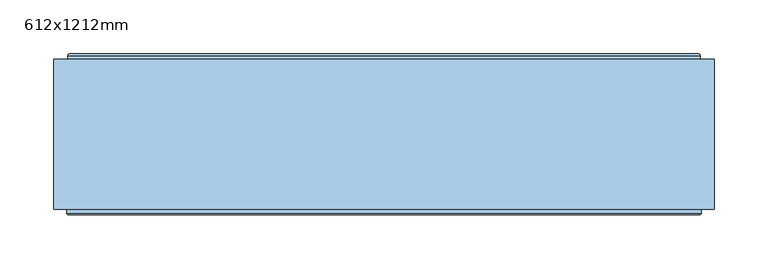
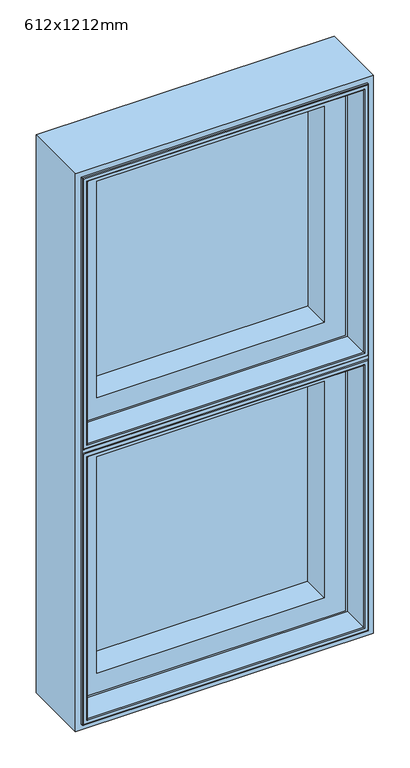
"""IFC4 building model written with IfcOpenShell, lengths in millimetres: window geometry, 612x1212mm."""

from ifc_helpers import new_model, si_unit, frame, origin, place, context, project, spatial, polyline, ellipse_curve, outline, extrude, faceted_brep, source, transform, mapped, element, save
from ifc_brep_helpers import plane_surface, cylinder_surface, revolved_surface, advanced_brep


def window_612x1212mm_1919aa27(model_context):
    return source(origin(), model_context, "Body", "SolidModel", [
        extrude(outline(polyline([(252.0, 118.5000015), (-252.0, 118.5000015), (-252.0, 146.5000015), (252.0, 146.5000015), (252.0, 118.5000015)])), frame((0.0, 0.0, 1452.0), z_axis=(0.0, 0.0, 1.0), x_axis=(1.0, 0.0, 0.0)), (0.0, 0.0, 1.0), 506.0),
        extrude(outline(polyline([(800.0, -306.0), (800.0, 306.0), (2012.0, 306.0), (2012.0, -306.0), (800.0, -306.0)]), holes=[polyline([(2000.0, -294.0), (2000.0, 294.0), (812.0, 294.0), (812.0, -294.0), (2000.0, -294.0)])]), frame((0.0, 10.0000016, 0.0), z_axis=(0.0, 1.0, 0.0), x_axis=(0.0, 0.0, 1.0)), (0.0, 0.0, 1.0), 139.0),
        advanced_brep(
        [(-294.0, 145.8000016, 1410.0), (-294.0, 145.8000016, 1402.0), (-294.0, 142.5000017, 1402.0), (-294.0, 142.5000017, 812.0), (-294.0, 6.5000015, 812.0), (-294.0, 6.5000015, 1402.0), (-294.0, 6.5000016, 1410.0), (-294.0, 6.5000014, 2000.0), (-294.0, 142.5000016, 2000.0), (-294.0, 142.5000016, 1410.0), (294.0, 6.5000016, 1410.0), (294.0, 6.5000016, 1402.0), (294.0, 6.5000015, 812.0), (294.0, 142.5000017, 812.0), (294.0, 142.5000017, 1402.0), (294.0, 145.8000016, 1402.0), (294.0, 145.8000016, 1410.0), (294.0, 142.5000016, 1410.0), (294.0, 142.5000016, 2000.0), (294.0, 6.5000014, 2000.0), (-285.5, 5.0000015, 820.5), (-284.0, 6.5000015, 822.0), (-284.0, 6.5000015, 1392.0), (-285.5, 5.0000015, 1393.5), (-284.0, 142.5000017, 822.0), (-284.0, 142.5000017, 1392.0), (-292.5, 5.0000015, 813.5), (-292.5, 5.0000015, 1400.5), (284.0, 6.5000015, 1392.0), (285.5, 5.0000015, 1393.5), (284.0, 142.5000017, 1392.0), (292.5, 5.0000015, 1400.5), (284.0, 6.5000015, 822.0), (285.5, 5.0000015, 820.5), (284.0, 142.5000017, 822.0), (292.5, 5.0000015, 813.5), (-284.0, 6.5000014, 1990.0), (-285.5, 5.0000014, 1991.5), (-285.5, 5.0000014, 1418.5), (-284.0, 6.5000014, 1420.0), (-284.0, 142.5000016, 1420.0), (-284.0, 142.5000016, 1990.0), (-292.5, 5.0000014, 1411.5), (-292.5, 5.0000014, 1998.5), (285.5, 5.0000014, 1418.5), (284.0, 6.5000014, 1420.0), (284.0, 142.5000016, 1420.0), (292.5, 5.0000014, 1411.5), (285.5, 5.0000014, 1991.5), (284.0, 6.5000014, 1990.0), (284.0, 142.5000016, 1990.0), (292.5, 5.0000014, 1998.5)],
        [
            (0, 1),
            (1, 2),
            (2, 3),
            (3, 4),
            (4, 5),
            (5, 6),
            (6, 7),
            (7, 8),
            (8, 9),
            (9, 0),
            (10, 11),
            (11, 12),
            (12, 13),
            (13, 14),
            (14, 15),
            (15, 16),
            (16, 17),
            (17, 18),
            (18, 19),
            (19, 10),
            (0, 16),
            (15, 1),
            (14, 2),
            (5, 11),
            (10, 6),
            (9, 17),
            (20, 21, ellipse_curve(frame((-285.5, 6.5000015, 820.5), z_axis=(-0.707106781186552, 0.0, 0.707106781186543), x_axis=(-0.7071067811865431, 0.0, -0.707106781186552)), 2.1213203, 1.5)),
            (21, 22),
            (22, 23, ellipse_curve(frame((-285.5, 6.5000015, 1393.5), z_axis=(-0.707106781186543, 0.0, -0.707106781186552), x_axis=(0.707106781186552, 0.0, -0.707106781186543)), 2.1213203, 1.5)),
            (23, 20),
            (21, 24),
            (24, 25),
            (25, 22),
            (4, 26, ellipse_curve(frame((-292.5, 6.5000015, 813.5), z_axis=(-0.707106781186552, 0.0, 0.707106781186543), x_axis=(-0.7071067811865431, 0.0, -0.707106781186552)), 2.1213203, 1.5)),
            (26, 27),
            (27, 5, ellipse_curve(frame((-292.5, 6.5000015, 1400.5), z_axis=(-0.707106781186543, 0.0, -0.707106781186552), x_axis=(0.707106781186552, 0.0, -0.707106781186543)), 2.1213203, 1.5)),
            (22, 28),
            (28, 29, ellipse_curve(frame((285.5, 6.5000015, 1393.5), z_axis=(-0.707106781186552, 0.0, 0.7071067811865431), x_axis=(-0.7071067811865429, 0.0, -0.707106781186552)), 2.1213203, 1.5)),
            (29, 23),
            (25, 30),
            (30, 28),
            (27, 31),
            (31, 11, ellipse_curve(frame((292.5, 6.5000015, 1400.5), z_axis=(-0.707106781186552, 0.0, 0.7071067811865431), x_axis=(-0.7071067811865429, 0.0, -0.707106781186552)), 2.1213203, 1.5)),
            (28, 32),
            (32, 33, ellipse_curve(frame((285.5, 6.5000015, 820.5), z_axis=(0.7071067811865431, 0.0, 0.707106781186552), x_axis=(-0.707106781186552, 0.0, 0.7071067811865429)), 2.1213203, 1.5)),
            (33, 29),
            (30, 34),
            (34, 32),
            (31, 35),
            (35, 12, ellipse_curve(frame((292.5, 6.5000015, 813.5), z_axis=(0.7071067811865431, 0.0, 0.707106781186552), x_axis=(-0.707106781186552, 0.0, 0.7071067811865429)), 2.1213203, 1.5)),
            (20, 33),
            (32, 21),
            (34, 24),
            (13, 3),
            (12, 4),
            (35, 26),
            (36, 37, ellipse_curve(frame((-285.5, 6.5000014, 1991.5), z_axis=(-0.7071067811865475, 0.0, -0.7071067811865475), x_axis=(-0.7071067811865474, 0.0, 0.7071067811865476)), 2.1213203, 1.5)),
            (37, 38),
            (38, 39, ellipse_curve(frame((-285.5, 6.5000014, 1418.5), z_axis=(-0.7071067811865475, 0.0, 0.7071067811865475), x_axis=(0.7071067811865474, 0.0, 0.7071067811865476)), 2.1213203, 1.5)),
            (39, 36),
            (39, 40),
            (40, 41),
            (41, 36),
            (6, 42, ellipse_curve(frame((-292.5, 6.5000014, 1411.5), z_axis=(-0.7071067811865475, 0.0, 0.7071067811865475), x_axis=(0.7071067811865474, 0.0, 0.7071067811865476)), 2.1213203, 1.5)),
            (42, 43),
            (43, 7, ellipse_curve(frame((-292.5, 6.5000014, 1998.5), z_axis=(-0.7071067811865475, 0.0, -0.7071067811865475), x_axis=(-0.7071067811865474, 0.0, 0.7071067811865476)), 2.1213203, 1.5)),
            (38, 44),
            (44, 45, ellipse_curve(frame((285.5, 6.5000014, 1418.5), z_axis=(-0.7071067811865475, 0.0, -0.7071067811865475), x_axis=(-0.7071067811865476, 0.0, 0.7071067811865474)), 2.1213203, 1.5)),
            (45, 39),
            (45, 46),
            (46, 40),
            (10, 47, ellipse_curve(frame((292.5, 6.5000014, 1411.5), z_axis=(-0.7071067811865475, 0.0, -0.7071067811865475), x_axis=(-0.7071067811865476, 0.0, 0.7071067811865474)), 2.1213203, 1.5)),
            (47, 42),
            (44, 48),
            (48, 49, ellipse_curve(frame((285.5, 6.5000014, 1991.5), z_axis=(0.7071067811865475, 0.0, -0.7071067811865475), x_axis=(-0.7071067811865474, 0.0, -0.7071067811865476)), 2.1213203, 1.5)),
            (49, 45),
            (49, 50),
            (50, 46),
            (19, 51, ellipse_curve(frame((292.5, 6.5000014, 1998.5), z_axis=(0.7071067811865475, 0.0, -0.7071067811865475), x_axis=(-0.7071067811865474, 0.0, -0.7071067811865476)), 2.1213203, 1.5)),
            (51, 47),
            (36, 49),
            (48, 37),
            (41, 50),
            (8, 18),
            (7, 19),
            (43, 51),
        ],
        [
            plane_surface(frame((-294.0, 145.8000016, 1410.0), z_axis=(-1.0, 0.0, 0.0), x_axis=(0.0, 0.0, -1.0))),
            plane_surface(frame((294.0, 145.8000016, 1410.0), z_axis=(1.0, 0.0, 0.0), x_axis=(0.0, 0.0, 1.0))),
            plane_surface(frame((-294.0, 145.8000016, 1410.0), z_axis=(0.0, 1.0, 0.0), x_axis=(1.0, 0.0, 0.0))),
            plane_surface(frame((-294.0, 145.8000016, 1402.0), z_axis=(0.0, 0.0, -1.0), x_axis=(1.0, 0.0, 0.0))),
            plane_surface(frame((-294.0, 6.5000016, 1402.0), z_axis=(0.0, -1.0, 0.0), x_axis=(1.0, 0.0, 0.0))),
            plane_surface(frame((-294.0, 6.5000016, 1410.0), z_axis=(0.0, 0.0, 1.0), x_axis=(1.0, 0.0, 0.0))),
            cylinder_surface(frame((-285.5, 6.5000015, 812.0), z_axis=(0.0, 0.0, -1.0), x_axis=(0.0, -1.0, 0.0)), 1.5),
            plane_surface(frame((-284.0, 142.5000017, 822.0), z_axis=(1.0, 0.0, 0.0), x_axis=(0.0, 0.0, 1.0))),
            cylinder_surface(frame((-292.5, 6.5000015, 812.0), z_axis=(0.0, 0.0, -1.0), x_axis=(0.0, -1.0, 0.0)), 1.5),
            cylinder_surface(frame((-294.0, 6.5000015, 1393.5), z_axis=(-1.0, 0.0, 0.0), x_axis=(0.0, -1.0, 0.0)), 1.5),
            plane_surface(frame((-284.0, 142.5000017, 1392.0), z_axis=(0.0, 0.0, -1.0), x_axis=(1.0, 0.0, 0.0))),
            cylinder_surface(frame((-294.0, 6.5000015, 1400.5), z_axis=(-1.0, 0.0, 0.0), x_axis=(0.0, -1.0, 0.0)), 1.5),
            cylinder_surface(frame((285.5, 6.5000015, 1402.0), z_axis=(0.0, 0.0, 1.0), x_axis=(0.0, -1.0, 0.0)), 1.5),
            plane_surface(frame((284.0, 142.5000017, 1392.0), z_axis=(-1.0, 0.0, 0.0), x_axis=(0.0, 0.0, -1.0))),
            cylinder_surface(frame((292.5, 6.5000015, 1402.0), z_axis=(0.0, 0.0, 1.0), x_axis=(0.0, -1.0, 0.0)), 1.5),
            cylinder_surface(frame((294.0, 6.5000015, 820.5), z_axis=(1.0, 0.0, 0.0), x_axis=(0.0, -1.0, 0.0)), 1.5),
            plane_surface(frame((284.0, 142.5000017, 822.0), z_axis=(0.0, 0.0, 1.0), x_axis=(-1.0, 0.0, 0.0))),
            plane_surface(frame((294.0, 142.5000017, 812.0), z_axis=(0.0, 1.0, 0.0), x_axis=(-1.0, 0.0, 0.0))),
            plane_surface(frame((294.0, 6.5000015, 812.0), z_axis=(0.0, 0.0, -1.0), x_axis=(-1.0, 0.0, 0.0))),
            cylinder_surface(frame((294.0, 6.5000015, 813.5), z_axis=(1.0, 0.0, 0.0), x_axis=(0.0, -1.0, 0.0)), 1.5),
            plane_surface(frame((285.5, 5.0000015, 820.5), z_axis=(0.0, -1.0, 0.0), x_axis=(-1.0, 0.0, 0.0))),
            cylinder_surface(frame((-285.5, 6.5000014, 2000.0), z_axis=(0.0, 0.0, 1.0), x_axis=(1.0, 0.0, 0.0)), 1.5),
            plane_surface(frame((-284.0, 6.5000014, 1990.0), z_axis=(1.0, 0.0, 0.0), x_axis=(0.0, 0.0, -1.0))),
            cylinder_surface(frame((-292.5, 6.5000014, 2000.0), z_axis=(0.0, 0.0, 1.0), x_axis=(1.0, 0.0, 0.0)), 1.5),
            cylinder_surface(frame((-294.0, 6.5000014, 1418.5), z_axis=(-1.0, 0.0, 0.0), x_axis=(0.0, 0.0, 1.0)), 1.5),
            plane_surface(frame((-284.0, 6.5000014, 1420.0), z_axis=(0.0, 0.0, 1.0), x_axis=(1.0, 0.0, 0.0))),
            cylinder_surface(frame((-294.0, 6.5000014, 1411.5), z_axis=(-1.0, 0.0, 0.0), x_axis=(0.0, 0.0, 1.0)), 1.5),
            cylinder_surface(frame((285.5, 6.5000014, 1410.0), z_axis=(0.0, 0.0, -1.0), x_axis=(-1.0, 0.0, 0.0)), 1.5),
            plane_surface(frame((284.0, 6.5000014, 1420.0), z_axis=(-1.0, 0.0, 0.0), x_axis=(0.0, 0.0, 1.0))),
            cylinder_surface(frame((292.5, 6.5000014, 1410.0), z_axis=(0.0, 0.0, -1.0), x_axis=(-1.0, 0.0, 0.0)), 1.5),
            cylinder_surface(frame((294.0, 6.5000014, 1991.5), z_axis=(1.0, 0.0, 0.0), x_axis=(0.0, 0.0, -1.0)), 1.5),
            plane_surface(frame((284.0, 6.5000014, 1990.0), z_axis=(0.0, 0.0, -1.0), x_axis=(-1.0, 0.0, 0.0))),
            plane_surface(frame((284.0, 142.5000016, 1990.0), z_axis=(0.0, 1.0, 0.0), x_axis=(-1.0, 0.0, 0.0))),
            plane_surface(frame((294.0, 142.5000016, 2000.0), z_axis=(0.0, 0.0, 1.0), x_axis=(-1.0, 0.0, 0.0))),
            cylinder_surface(frame((294.0, 6.5000014, 1998.5), z_axis=(1.0, 0.0, 0.0), x_axis=(0.0, 0.0, -1.0)), 1.5),
            plane_surface(frame((292.5, 5.0000014, 1998.5), z_axis=(0.0, -1.0, 0.0), x_axis=(-1.0, 0.0, 0.0))),
        ],
        [
            (0, [[1, 2, 3, 4, 5, 6, 7, 8, 9, 10]]),
            (1, [[11, 12, 13, 14, 15, 16, 17, 18, 19, 20]]),
            (2, [[-1, 21, -16, 22]]),
            (3, [[-22, -15, 23, -2]]),
            (4, [[-6, 24, -11, 25]]),
            (5, [[-21, -10, 26, -17]]),
            (6, [[27, 28, 29, 30]]),
            (7, [[-28, 31, 32, 33]]),
            (8, [[-5, 34, 35, 36]]),
            (9, [[-29, 37, 38, 39]]),
            (10, [[-33, 40, 41, -37]]),
            (11, [[-36, 42, 43, -24]]),
            (12, [[-38, 44, 45, 46]]),
            (13, [[-41, 47, 48, -44]]),
            (14, [[-43, 49, 50, -12]]),
            (15, [[-27, 51, -45, 52]]),
            (16, [[-31, -52, -48, 53]]),
            (17, [[-3, -23, -14, 54], [-32, -53, -47, -40]]),
            (18, [[-4, -54, -13, 55]]),
            (19, [[-34, -55, -50, 56]]),
            (20, [[-35, -56, -49, -42], [-30, -39, -46, -51]]),
            (21, [[57, 58, 59, 60]]),
            (22, [[-60, 61, 62, 63]]),
            (23, [[-7, 64, 65, 66]]),
            (24, [[-59, 67, 68, 69]]),
            (25, [[-61, -69, 70, 71]]),
            (26, [[-64, -25, 72, 73]]),
            (27, [[-68, 74, 75, 76]]),
            (28, [[-70, -76, 77, 78]]),
            (29, [[-72, -20, 79, 80]]),
            (30, [[-57, 81, -75, 82]]),
            (31, [[-63, 83, -77, -81]]),
            (32, [[-9, 84, -18, -26], [-62, -71, -78, -83]]),
            (33, [[-8, 85, -19, -84]]),
            (34, [[-66, 86, -79, -85]]),
            (35, [[-65, -73, -80, -86], [-58, -82, -74, -67]]),
        ],
    ),
        advanced_brep(
        [(-291.5000001, 154.0000016, 814.4999999), (-293.0, 152.5000018, 813.0), (-293.0, 152.5000018, 1401.0), (-291.5000001, 154.0000016, 1399.5000001), (-293.0, 148.3866107, 813.0), (-293.0, 148.3866107, 1401.0), (-294.0, 148.3866107, 812.0), (-294.0, 142.5000017, 812.0), (-294.0, 142.5000017, 1402.0), (-294.0, 148.3866107, 1402.0), (-256.0, 142.5000017, 850.0), (-256.0, 146.5000019, 850.0), (-256.0, 146.5000019, 1364.0), (-256.0, 142.5000017, 1364.0), (-237.4938789, 146.5000019, 868.5061211), (-237.5192538, 147.4871074, 868.4807462), (-237.5192538, 147.4871074, 1345.5192538), (-237.4938789, 146.5000019, 1345.4938789), (-239.5962483, 148.7951832, 866.4037517), (-239.5962483, 148.7951832, 1347.5962483), (-240.0, 149.7544748, 866.0), (-240.0, 149.7544748, 1348.0), (-240.0, 153.0000016, 866.0), (-240.0, 153.0000016, 1348.0), (-240.5, 153.5000016, 865.5), (-240.5, 153.5000016, 1348.5), (-255.8, 153.5000016, 850.2), (-256.514074, 154.0000016, 849.485926), (-256.514074, 154.0000016, 1364.514074), (-255.8, 153.5000016, 1363.8), (293.0, 152.5000018, 1401.0), (291.5000001, 154.0000016, 1399.5000001), (293.0, 148.3866107, 1401.0), (294.0, 142.5000017, 1402.0), (294.0, 148.3866107, 1402.0), (256.0, 146.5000019, 1364.0), (256.0, 142.5000017, 1364.0), (237.5192538, 147.4871074, 1345.5192538), (237.4938789, 146.5000019, 1345.4938789), (239.5962483, 148.7951832, 1347.5962483), (240.0, 149.7544748, 1348.0), (240.0, 153.0000016, 1348.0), (240.5, 153.5000016, 1348.5), (256.514074, 154.0000016, 1364.514074), (255.8, 153.5000016, 1363.8), (293.0, 152.5000018, 813.0), (291.5000001, 154.0000016, 814.4999999), (293.0, 148.3866107, 813.0), (294.0, 142.5000017, 812.0), (294.0, 148.3866107, 812.0), (256.0, 146.5000019, 850.0), (256.0, 142.5000017, 850.0), (237.5192538, 147.4871074, 868.4807462), (237.4938789, 146.5000019, 868.5061211), (239.5962483, 148.7951832, 866.4037517), (240.0, 149.7544748, 866.0), (240.0, 153.0000016, 866.0), (240.5, 153.5000016, 865.5), (256.514074, 154.0000016, 849.485926), (255.8, 153.5000016, 850.2)],
        [
            (0, 1, ellipse_curve(frame((-291.5000001, 152.5000018, 814.4999999), z_axis=(-0.707106781186552, 0.0, 0.707106781186543), x_axis=(-0.7071067811865431, 0.0, -0.707106781186552)), 2.1213201, 1.4999998)),
            (1, 2),
            (2, 3, ellipse_curve(frame((-291.5000001, 152.5000018, 1399.5000001), z_axis=(-0.707106781186543, 0.0, -0.707106781186552), x_axis=(0.707106781186552, 0.0, -0.707106781186543)), 2.1213201, 1.4999998)),
            (3, 0),
            (1, 4),
            (4, 5),
            (5, 2),
            (6, 7),
            (7, 8),
            (8, 9),
            (9, 6),
            (10, 11),
            (11, 12),
            (12, 13),
            (13, 10),
            (14, 15, ellipse_curve(frame((-237.4938789, 146.9938808, 868.5061211), z_axis=(-0.707106781186552, 0.0, 0.707106781186543), x_axis=(-0.7071067811865431, 0.0, -0.707106781186552)), 0.6984503, 0.4938789)),
            (15, 16),
            (16, 17, ellipse_curve(frame((-237.4938789, 146.9938808, 1345.4938789), z_axis=(-0.707106781186543, 0.0, -0.707106781186552), x_axis=(0.707106781186552, 0.0, -0.707106781186543)), 0.6984503, 0.4938789)),
            (17, 14),
            (15, 18, ellipse_curve(frame((-237.6227187, 149.6258125, 868.3772813), z_axis=(0.707106781186552, 0.0, -0.707106781186543), x_axis=(0.7071067811865431, 0.0, 0.707106781186552)), 3.028123, 2.1412063)),
            (18, 19),
            (19, 16, ellipse_curve(frame((-237.6227187, 149.6258125, 1345.6227187), z_axis=(0.707106781186543, 0.0, 0.707106781186552), x_axis=(-0.707106781186552, 0.0, 0.707106781186543)), 3.028123, 2.1412063)),
            (18, 20),
            (20, 21),
            (21, 19),
            (20, 22),
            (22, 23),
            (23, 21),
            (22, 24, ellipse_curve(frame((-240.5, 153.0000016, 865.5), z_axis=(-0.707106781186552, 0.0, 0.707106781186543), x_axis=(-0.7071067811865431, 0.0, -0.707106781186552)), 0.7071068, 0.5)),
            (24, 25),
            (25, 23, ellipse_curve(frame((-240.5, 153.0000016, 1348.5), z_axis=(-0.707106781186543, 0.0, -0.707106781186552), x_axis=(0.707106781186552, 0.0, -0.707106781186543)), 0.7071068, 0.5)),
            (26, 27),
            (27, 28),
            (28, 29),
            (29, 26),
            (2, 30),
            (30, 31, ellipse_curve(frame((291.5000001, 152.5000018, 1399.5000001), z_axis=(-0.707106781186552, 0.0, 0.7071067811865431), x_axis=(-0.7071067811865429, 0.0, -0.707106781186552)), 2.1213201, 1.4999998)),
            (31, 3),
            (5, 32),
            (32, 30),
            (8, 33),
            (33, 34),
            (34, 9),
            (12, 35),
            (35, 36),
            (36, 13),
            (16, 37),
            (37, 38, ellipse_curve(frame((237.4938789, 146.9938808, 1345.4938789), z_axis=(-0.707106781186552, 0.0, 0.7071067811865431), x_axis=(-0.7071067811865429, 0.0, -0.707106781186552)), 0.6984503, 0.4938789)),
            (38, 17),
            (19, 39),
            (39, 37, ellipse_curve(frame((237.6227187, 149.6258125, 1345.6227187), z_axis=(0.707106781186552, 0.0, -0.7071067811865431), x_axis=(0.7071067811865429, 0.0, 0.707106781186552)), 3.028123, 2.1412063)),
            (21, 40),
            (40, 39),
            (23, 41),
            (41, 40),
            (25, 42),
            (42, 41, ellipse_curve(frame((240.5, 153.0000016, 1348.5), z_axis=(-0.707106781186552, 0.0, 0.7071067811865431), x_axis=(-0.7071067811865429, 0.0, -0.707106781186552)), 0.7071068, 0.5)),
            (28, 43),
            (43, 44),
            (44, 29),
            (30, 45),
            (45, 46, ellipse_curve(frame((291.5000001, 152.5000018, 814.4999999), z_axis=(0.7071067811865431, 0.0, 0.707106781186552), x_axis=(-0.707106781186552, 0.0, 0.7071067811865429)), 2.1213201, 1.4999998)),
            (46, 31),
            (32, 47),
            (47, 45),
            (33, 48),
            (48, 49),
            (49, 34),
            (35, 50),
            (50, 51),
            (51, 36),
            (37, 52),
            (52, 53, ellipse_curve(frame((237.4938789, 146.9938808, 868.5061211), z_axis=(0.7071067811865431, 0.0, 0.707106781186552), x_axis=(-0.707106781186552, 0.0, 0.7071067811865429)), 0.6984503, 0.4938789)),
            (53, 38),
            (39, 54),
            (54, 52, ellipse_curve(frame((237.6227187, 149.6258125, 868.3772813), z_axis=(-0.7071067811865431, 0.0, -0.707106781186552), x_axis=(0.707106781186552, 0.0, -0.7071067811865429)), 3.028123, 2.1412063)),
            (40, 55),
            (55, 54),
            (41, 56),
            (56, 55),
            (42, 57),
            (57, 56, ellipse_curve(frame((240.5, 153.0000016, 865.5), z_axis=(0.7071067811865431, 0.0, 0.707106781186552), x_axis=(-0.707106781186552, 0.0, 0.7071067811865429)), 0.7071068, 0.5)),
            (43, 58),
            (58, 59),
            (59, 44),
            (46, 0),
            (27, 58),
            (45, 1),
            (47, 4),
            (49, 6),
            (48, 7),
            (51, 10),
            (50, 11),
            (53, 14),
            (52, 15),
            (54, 18),
            (55, 20),
            (56, 22),
            (57, 24),
            (59, 26),
        ],
        [
            cylinder_surface(frame((-291.5000001, 152.5000018, 812.0), z_axis=(0.0, 0.0, -1.0), x_axis=(0.0, -1.0, 0.0)), 1.4999998),
            plane_surface(frame((-293.0, 148.3866107, 813.0), z_axis=(-1.0, 0.0, 0.0), x_axis=(0.0, 0.0, 1.0))),
            plane_surface(frame((-294.0, 142.5000017, 812.0), z_axis=(-1.0, 0.0, 0.0), x_axis=(0.0, 0.0, 1.0))),
            plane_surface(frame((-256.0, 146.5000019, 850.0), z_axis=(1.0, 0.0, 0.0), x_axis=(0.0, 0.0, 1.0))),
            cylinder_surface(frame((-237.4938789, 146.9938808, 812.0), z_axis=(0.0, 0.0, -1.0), x_axis=(0.0, -1.0, 0.0)), 0.4938789),
            revolved_surface(polyline([(-237.6227187, 147.4846062, 1347.7639250075667), (-237.6227187, 147.4846062, 866.236074992433)]), (-237.6227187, 149.6258125, 812.0), (0.0, 0.0, 1.0)),
            plane_surface(frame((-240.0, 149.7544748, 866.0), z_axis=(0.921690570360227, 0.38792588532996825, 0.0), x_axis=(0.0, 0.0, 1.0))),
            plane_surface(frame((-240.0, 153.0000016, 866.0), z_axis=(1.0, 0.0, 0.0), x_axis=(0.0, 0.0, 1.0))),
            cylinder_surface(frame((-240.5, 153.0000016, 812.0), z_axis=(0.0, 0.0, -1.0), x_axis=(0.0, -1.0, 0.0)), 0.5),
            plane_surface(frame((-256.514074, 154.0000016, 849.485926), z_axis=(0.5735764363508401, 0.8191520442891361, 0.0), x_axis=(0.0, 0.0, 1.0))),
            cylinder_surface(frame((-294.0, 152.5000018, 1399.5000001), z_axis=(-1.0, 0.0, 0.0), x_axis=(0.0, -1.0, 0.0)), 1.4999998),
            plane_surface(frame((-293.0, 148.3866107, 1401.0), z_axis=(0.0, 0.0, 1.0), x_axis=(1.0, 0.0, 0.0))),
            plane_surface(frame((-294.0, 142.5000017, 1402.0), z_axis=(0.0, 0.0, 1.0), x_axis=(1.0, 0.0, 0.0))),
            plane_surface(frame((-256.0, 146.5000019, 1364.0), z_axis=(0.0, 0.0, -1.0), x_axis=(1.0, 0.0, 0.0))),
            cylinder_surface(frame((-294.0, 146.9938808, 1345.4938789), z_axis=(-1.0, 0.0, 0.0), x_axis=(0.0, -1.0, 0.0)), 0.4938789),
            revolved_surface(polyline([(239.76392500756685, 147.4846062, 1345.6227187), (-239.76392500756697, 147.4846062, 1345.6227187)]), (-294.0, 149.6258125, 1345.6227187), (1.0, 0.0, 0.0)),
            plane_surface(frame((-240.0, 149.7544748, 1348.0), z_axis=(0.0, 0.38792588532997124, -0.9216905703602257), x_axis=(1.0, 0.0, 0.0))),
            plane_surface(frame((-240.0, 153.0000016, 1348.0), z_axis=(0.0, 0.0, -1.0), x_axis=(1.0, 0.0, 0.0))),
            cylinder_surface(frame((-294.0, 153.0000016, 1348.5), z_axis=(-1.0, 0.0, 0.0), x_axis=(0.0, -1.0, 0.0)), 0.5),
            plane_surface(frame((-256.514074, 154.0000016, 1364.514074), z_axis=(0.0, 0.819152044289138, -0.5735764363508374), x_axis=(1.0, 0.0, 0.0))),
            cylinder_surface(frame((291.5000001, 152.5000018, 1402.0), z_axis=(0.0, 0.0, 1.0), x_axis=(0.0, -1.0, 0.0)), 1.4999998),
            plane_surface(frame((293.0, 148.3866107, 1401.0), z_axis=(1.0, 0.0, 0.0), x_axis=(0.0, 0.0, -1.0))),
            plane_surface(frame((294.0, 142.5000017, 1402.0), z_axis=(1.0, 0.0, 0.0), x_axis=(0.0, 0.0, -1.0))),
            plane_surface(frame((256.0, 146.5000019, 1364.0), z_axis=(-1.0, 0.0, 0.0), x_axis=(0.0, 0.0, -1.0))),
            cylinder_surface(frame((237.4938789, 146.9938808, 1402.0), z_axis=(0.0, 0.0, 1.0), x_axis=(0.0, -1.0, 0.0)), 0.4938789),
            revolved_surface(polyline([(237.6227187, 147.4846062, 866.2360749924331), (237.6227187, 147.4846062, 1347.763925007567)]), (237.6227187, 149.6258125, 1402.0), (0.0, 0.0, -1.0)),
            plane_surface(frame((240.0, 149.7544748, 1348.0), z_axis=(-0.9216905703602244, 0.3879258853299742, 0.0), x_axis=(0.0, 0.0, -1.0))),
            plane_surface(frame((240.0, 153.0000016, 1348.0), z_axis=(-1.0, 0.0, 0.0), x_axis=(0.0, 0.0, -1.0))),
            cylinder_surface(frame((240.5, 153.0000016, 1402.0), z_axis=(0.0, 0.0, 1.0), x_axis=(0.0, -1.0, 0.0)), 0.5),
            plane_surface(frame((256.514074, 154.0000016, 1364.514074), z_axis=(-0.5735764363508348, 0.8191520442891399, 0.0), x_axis=(0.0, 0.0, -1.0))),
            plane_surface(frame((291.5000001, 154.0000016, 814.4999999), z_axis=(0.0, 1.0, 0.0), x_axis=(-1.0, 0.0, 0.0))),
            cylinder_surface(frame((294.0, 152.5000018, 814.4999999), z_axis=(1.0, 0.0, 0.0), x_axis=(0.0, -1.0, 0.0)), 1.4999998),
            plane_surface(frame((293.0, 148.3866107, 813.0), z_axis=(0.0, 0.0, -1.0), x_axis=(-1.0, 0.0, 0.0))),
            plane_surface(frame((294.0, 148.3866107, 812.0), z_axis=(0.0, 1.0, 0.0), x_axis=(-1.0, 0.0, 0.0))),
            plane_surface(frame((294.0, 142.5000017, 812.0), z_axis=(0.0, 0.0, -1.0), x_axis=(-1.0, 0.0, 0.0))),
            plane_surface(frame((256.0, 142.5000017, 850.0), z_axis=(0.0, -1.0, 0.0), x_axis=(-1.0, 0.0, 0.0))),
            plane_surface(frame((256.0, 146.5000019, 850.0), z_axis=(0.0, 0.0, 1.0), x_axis=(-1.0, 0.0, 0.0))),
            plane_surface(frame((237.4938789, 146.5000019, 868.5061211), z_axis=(0.0, -1.0, 0.0), x_axis=(-1.0, 0.0, 0.0))),
            cylinder_surface(frame((294.0, 146.9938808, 868.5061211), z_axis=(1.0, 0.0, 0.0), x_axis=(0.0, -1.0, 0.0)), 0.4938789),
            revolved_surface(polyline([(-239.76392500756685, 147.4846062, 868.3772813), (239.76392500756697, 147.4846062, 868.3772813)]), (294.0, 149.6258125, 868.3772813), (-1.0, 0.0, 0.0)),
            plane_surface(frame((240.0, 149.7544748, 866.0), z_axis=(0.0, 0.38792588532997124, 0.9216905703602257), x_axis=(-1.0, 0.0, 0.0))),
            plane_surface(frame((240.0, 153.0000016, 866.0), z_axis=(0.0, 0.0, 1.0), x_axis=(-1.0, 0.0, 0.0))),
            cylinder_surface(frame((294.0, 153.0000016, 865.5), z_axis=(1.0, 0.0, 0.0), x_axis=(0.0, -1.0, 0.0)), 0.5),
            plane_surface(frame((255.8, 153.5000016, 850.2), z_axis=(0.0, 1.0, 0.0), x_axis=(-1.0, 0.0, 0.0))),
            plane_surface(frame((256.514074, 154.0000016, 849.485926), z_axis=(0.0, 0.819152044289138, 0.5735764363508374), x_axis=(-1.0, 0.0, 0.0))),
        ],
        [
            (0, [[1, 2, 3, 4]]),
            (1, [[5, 6, 7, -2]]),
            (2, [[8, 9, 10, 11]]),
            (3, [[12, 13, 14, 15]]),
            (4, [[16, 17, 18, 19]]),
            (5, [[20, 21, 22, -17]]),
            (6, [[23, 24, 25, -21]]),
            (7, [[26, 27, 28, -24]]),
            (8, [[29, 30, 31, -27]]),
            (9, [[32, 33, 34, 35]]),
            (10, [[-3, 36, 37, 38]]),
            (11, [[-7, 39, 40, -36]]),
            (12, [[-10, 41, 42, 43]]),
            (13, [[-14, 44, 45, 46]]),
            (14, [[-18, 47, 48, 49]]),
            (15, [[-22, 50, 51, -47]]),
            (16, [[-25, 52, 53, -50]]),
            (17, [[-28, 54, 55, -52]]),
            (18, [[-31, 56, 57, -54]]),
            (19, [[-34, 58, 59, 60]]),
            (20, [[-37, 61, 62, 63]]),
            (21, [[-40, 64, 65, -61]]),
            (22, [[-42, 66, 67, 68]]),
            (23, [[-45, 69, 70, 71]]),
            (24, [[-48, 72, 73, 74]]),
            (25, [[-51, 75, 76, -72]]),
            (26, [[-53, 77, 78, -75]]),
            (27, [[-55, 79, 80, -77]]),
            (28, [[-57, 81, 82, -79]]),
            (29, [[-59, 83, 84, 85]]),
            (30, [[-38, -63, 86, -4], [87, -83, -58, -33]]),
            (31, [[-62, 88, -1, -86]]),
            (32, [[-65, 89, -5, -88]]),
            (33, [[-43, -68, 90, -11], [-89, -64, -39, -6]]),
            (34, [[-67, 91, -8, -90]]),
            (35, [[-91, -66, -41, -9], [-46, -71, 92, -15]]),
            (36, [[-70, 93, -12, -92]]),
            (37, [[-93, -69, -44, -13], [-49, -74, 94, -19]]),
            (38, [[-73, 95, -16, -94]]),
            (39, [[-76, 96, -20, -95]]),
            (40, [[-78, 97, -23, -96]]),
            (41, [[-80, 98, -26, -97]]),
            (42, [[-82, 99, -29, -98]]),
            (43, [[-60, -85, 100, -35], [-99, -81, -56, -30]]),
            (44, [[-84, -87, -32, -100]]),
        ],
    ),
        faceted_brep([(-256.0, 118.5000018, 850.0), (-256.0, 142.5000017, 850.0), (-256.0, 142.5000017, 1364.0), (-256.0, 118.5000018, 1364.0), (-284.0, 142.5000017, 822.0), (-284.0, 63.3258286, 822.0), (-284.0, 63.3258286, 1392.0), (-284.0, 142.5000017, 1392.0), (-277.2, 63.3258286, 828.8), (-277.2, 59.5000018, 828.8), (-277.2, 59.5000018, 1385.2), (-277.2, 63.3258286, 1385.2), (-234.0, 59.5000018, 872.0), (-234.0, 118.5000018, 872.0), (-234.0, 118.5000018, 1342.0), (-234.0, 59.5000018, 1342.0), (256.0, 142.5000017, 1364.0), (256.0, 118.5000018, 1364.0), (284.0, 63.3258286, 1392.0), (284.0, 142.5000017, 1392.0), (277.2, 59.5000018, 1385.2), (277.2, 63.3258286, 1385.2), (234.0, 118.5000018, 1342.0), (234.0, 59.5000018, 1342.0), (256.0, 142.5000017, 850.0), (256.0, 118.5000018, 850.0), (284.0, 63.3258286, 822.0), (284.0, 142.5000017, 822.0), (277.2, 59.5000018, 828.8), (277.2, 63.3258286, 828.8), (234.0, 118.5000018, 872.0), (234.0, 59.5000018, 872.0)], [[[0, 1, 2, 3]], [[4, 5, 6, 7]], [[8, 9, 10, 11]], [[12, 13, 14, 15]], [[3, 2, 16, 17]], [[7, 6, 18, 19]], [[11, 10, 20, 21]], [[15, 14, 22, 23]], [[17, 16, 24, 25]], [[19, 18, 26, 27]], [[21, 20, 28, 29]], [[23, 22, 30, 31]], [[25, 24, 1, 0]], [[7, 19, 27, 4], [1, 24, 16, 2]], [[27, 26, 5, 4]], [[5, 26, 18, 6], [11, 21, 29, 8]], [[29, 28, 9, 8]], [[9, 28, 20, 10], [15, 23, 31, 12]], [[31, 30, 13, 12]], [[3, 17, 25, 0], [13, 30, 22, 14]]]),
        extrude(outline(polyline([(252.0, 118.5000015), (-252.0, 118.5000015), (-252.0, 146.5000015), (252.0, 146.5000015), (252.0, 118.5000015)])), frame((0.0, 0.0, 854.0), z_axis=(0.0, 0.0, 1.0), x_axis=(1.0, 0.0, 0.0)), (0.0, 0.0, 1.0), 506.0),
        faceted_brep([(-256.0, 142.5000017, 1962.0), (-256.0, 118.5000018, 1962.0), (-256.0, 118.5000018, 1448.0), (-256.0, 142.5000017, 1448.0), (-284.0, 63.3258286, 1990.0), (-284.0, 142.5000017, 1990.0), (-284.0, 142.5000017, 1420.0), (-284.0, 63.3258286, 1420.0), (-277.2, 59.5000018, 1983.2), (-277.2, 63.3258286, 1983.2), (-277.2, 63.3258286, 1426.8), (-277.2, 59.5000018, 1426.8), (-234.0, 118.5000018, 1940.0), (-234.0, 59.5000018, 1940.0), (-234.0, 59.5000018, 1470.0), (-234.0, 118.5000018, 1470.0), (256.0, 118.5000018, 1448.0), (256.0, 142.5000017, 1448.0), (284.0, 142.5000017, 1420.0), (284.0, 63.3258286, 1420.0), (277.2, 63.3258286, 1426.8), (277.2, 59.5000018, 1426.8), (234.0, 59.5000018, 1470.0), (234.0, 118.5000018, 1470.0), (256.0, 118.5000018, 1962.0), (256.0, 142.5000017, 1962.0), (284.0, 142.5000017, 1990.0), (284.0, 63.3258286, 1990.0), (277.2, 63.3258286, 1983.2), (277.2, 59.5000018, 1983.2), (234.0, 59.5000018, 1940.0), (234.0, 118.5000018, 1940.0)], [[[0, 1, 2, 3]], [[4, 5, 6, 7]], [[8, 9, 10, 11]], [[12, 13, 14, 15]], [[3, 2, 16, 17]], [[7, 6, 18, 19]], [[11, 10, 20, 21]], [[15, 14, 22, 23]], [[17, 16, 24, 25]], [[19, 18, 26, 27]], [[21, 20, 28, 29]], [[23, 22, 30, 31]], [[25, 24, 1, 0]], [[5, 26, 18, 6], [3, 17, 25, 0]], [[27, 26, 5, 4]], [[7, 19, 27, 4], [9, 28, 20, 10]], [[29, 28, 9, 8]], [[11, 21, 29, 8], [13, 30, 22, 14]], [[31, 30, 13, 12]], [[1, 24, 16, 2], [15, 23, 31, 12]]]),
        advanced_brep(
        [(-293.0, 152.5000018, 1999.0), (-291.5000001, 154.0000016, 1997.5000001), (-291.5000001, 154.0000016, 1412.4999999), (-293.0, 152.5000018, 1411.0), (-293.0, 148.3866107, 1999.0), (-293.0, 148.3866107, 1411.0), (-294.0, 142.5000017, 2000.0), (-294.0, 148.3866107, 2000.0), (-294.0, 148.3866107, 1410.0), (-294.0, 142.5000017, 1410.0), (-256.0, 146.5000019, 1962.0), (-256.0, 142.5000017, 1962.0), (-256.0, 142.5000017, 1448.0), (-256.0, 146.5000019, 1448.0), (-237.5192538, 147.4871074, 1943.5192538), (-237.4938789, 146.5000019, 1943.4938789), (-237.4938789, 146.5000019, 1466.5061211), (-237.5192538, 147.4871074, 1466.4807462), (-239.5962483, 148.7951832, 1945.5962483), (-239.5962483, 148.7951832, 1464.4037517), (-240.0, 149.7544748, 1946.0), (-240.0, 149.7544748, 1464.0), (-240.0, 153.0000016, 1946.0), (-240.0, 153.0000016, 1464.0), (-240.5, 153.5000016, 1946.5), (-240.5, 153.5000016, 1463.5), (-256.514074, 154.0000016, 1962.514074), (-255.8, 153.5000016, 1961.8), (-255.8, 153.5000016, 1448.2), (-256.514074, 154.0000016, 1447.485926), (291.5000001, 154.0000016, 1412.4999999), (293.0, 152.5000018, 1411.0), (293.0, 148.3866107, 1411.0), (294.0, 148.3866107, 1410.0), (294.0, 142.5000017, 1410.0), (256.0, 142.5000017, 1448.0), (256.0, 146.5000019, 1448.0), (237.4938789, 146.5000019, 1466.5061211), (237.5192538, 147.4871074, 1466.4807462), (239.5962483, 148.7951832, 1464.4037517), (240.0, 149.7544748, 1464.0), (240.0, 153.0000016, 1464.0), (240.5, 153.5000016, 1463.5), (255.8, 153.5000016, 1448.2), (256.514074, 154.0000016, 1447.485926), (291.5000001, 154.0000016, 1997.5000001), (293.0, 152.5000018, 1999.0), (293.0, 148.3866107, 1999.0), (294.0, 148.3866107, 2000.0), (294.0, 142.5000017, 2000.0), (256.0, 142.5000017, 1962.0), (256.0, 146.5000019, 1962.0), (237.4938789, 146.5000019, 1943.4938789), (237.5192538, 147.4871074, 1943.5192538), (239.5962483, 148.7951832, 1945.5962483), (240.0, 149.7544748, 1946.0), (240.0, 153.0000016, 1946.0), (240.5, 153.5000016, 1946.5), (255.8, 153.5000016, 1961.8), (256.514074, 154.0000016, 1962.514074)],
        [
            (0, 1, ellipse_curve(frame((-291.5000001, 152.5000018, 1997.5000001), z_axis=(-0.7071067811865475, 0.0, -0.7071067811865475), x_axis=(-0.7071067811865474, 0.0, 0.7071067811865476)), 2.1213201, 1.4999998)),
            (1, 2),
            (2, 3, ellipse_curve(frame((-291.5000001, 152.5000018, 1412.4999999), z_axis=(-0.7071067811865475, 0.0, 0.7071067811865475), x_axis=(0.7071067811865474, 0.0, 0.7071067811865476)), 2.1213201, 1.4999998)),
            (3, 0),
            (4, 0),
            (3, 5),
            (5, 4),
            (6, 7),
            (7, 8),
            (8, 9),
            (9, 6),
            (10, 11),
            (11, 12),
            (12, 13),
            (13, 10),
            (14, 15, ellipse_curve(frame((-237.4938789, 146.9938808, 1943.4938789), z_axis=(-0.7071067811865475, 0.0, -0.7071067811865475), x_axis=(-0.7071067811865474, 0.0, 0.7071067811865476)), 0.6984503, 0.4938789)),
            (15, 16),
            (16, 17, ellipse_curve(frame((-237.4938789, 146.9938808, 1466.5061211), z_axis=(-0.7071067811865475, 0.0, 0.7071067811865475), x_axis=(0.7071067811865474, 0.0, 0.7071067811865476)), 0.6984503, 0.4938789)),
            (17, 14),
            (18, 14, ellipse_curve(frame((-237.6227187, 149.6258125, 1943.6227187), z_axis=(0.7071067811865475, 0.0, 0.7071067811865475), x_axis=(0.7071067811865474, 0.0, -0.7071067811865476)), 3.028123, 2.1412063)),
            (17, 19, ellipse_curve(frame((-237.6227187, 149.6258125, 1466.3772813), z_axis=(0.7071067811865475, 0.0, -0.7071067811865475), x_axis=(-0.7071067811865474, 0.0, -0.7071067811865476)), 3.028123, 2.1412063)),
            (19, 18),
            (20, 18),
            (19, 21),
            (21, 20),
            (22, 20),
            (21, 23),
            (23, 22),
            (24, 22, ellipse_curve(frame((-240.5, 153.0000016, 1946.5), z_axis=(-0.7071067811865475, 0.0, -0.7071067811865475), x_axis=(-0.7071067811865474, 0.0, 0.7071067811865476)), 0.7071068, 0.5)),
            (23, 25, ellipse_curve(frame((-240.5, 153.0000016, 1463.5), z_axis=(-0.7071067811865475, 0.0, 0.7071067811865475), x_axis=(0.7071067811865474, 0.0, 0.7071067811865476)), 0.7071068, 0.5)),
            (25, 24),
            (26, 27),
            (27, 28),
            (28, 29),
            (29, 26),
            (2, 30),
            (30, 31, ellipse_curve(frame((291.5000001, 152.5000018, 1412.4999999), z_axis=(-0.7071067811865475, 0.0, -0.7071067811865475), x_axis=(-0.7071067811865476, 0.0, 0.7071067811865474)), 2.1213201, 1.4999998)),
            (31, 3),
            (31, 32),
            (32, 5),
            (8, 33),
            (33, 34),
            (34, 9),
            (12, 35),
            (35, 36),
            (36, 13),
            (16, 37),
            (37, 38, ellipse_curve(frame((237.4938789, 146.9938808, 1466.5061211), z_axis=(-0.7071067811865475, 0.0, -0.7071067811865475), x_axis=(-0.7071067811865476, 0.0, 0.7071067811865474)), 0.6984503, 0.4938789)),
            (38, 17),
            (38, 39, ellipse_curve(frame((237.6227187, 149.6258125, 1466.3772813), z_axis=(0.7071067811865475, 0.0, 0.7071067811865475), x_axis=(0.7071067811865476, 0.0, -0.7071067811865474)), 3.028123, 2.1412063)),
            (39, 19),
            (39, 40),
            (40, 21),
            (40, 41),
            (41, 23),
            (41, 42, ellipse_curve(frame((240.5, 153.0000016, 1463.5), z_axis=(-0.7071067811865475, 0.0, -0.7071067811865475), x_axis=(-0.7071067811865476, 0.0, 0.7071067811865474)), 0.7071068, 0.5)),
            (42, 25),
            (28, 43),
            (43, 44),
            (44, 29),
            (30, 45),
            (45, 46, ellipse_curve(frame((291.5000001, 152.5000018, 1997.5000001), z_axis=(0.7071067811865475, 0.0, -0.7071067811865475), x_axis=(-0.7071067811865474, 0.0, -0.7071067811865476)), 2.1213201, 1.4999998)),
            (46, 31),
            (46, 47),
            (47, 32),
            (33, 48),
            (48, 49),
            (49, 34),
            (35, 50),
            (50, 51),
            (51, 36),
            (37, 52),
            (52, 53, ellipse_curve(frame((237.4938789, 146.9938808, 1943.4938789), z_axis=(0.7071067811865475, 0.0, -0.7071067811865475), x_axis=(-0.7071067811865474, 0.0, -0.7071067811865476)), 0.6984503, 0.4938789)),
            (53, 38),
            (53, 54, ellipse_curve(frame((237.6227187, 149.6258125, 1943.6227187), z_axis=(-0.7071067811865475, 0.0, 0.7071067811865475), x_axis=(0.7071067811865474, 0.0, 0.7071067811865476)), 3.028123, 2.1412063)),
            (54, 39),
            (54, 55),
            (55, 40),
            (55, 56),
            (56, 41),
            (56, 57, ellipse_curve(frame((240.5, 153.0000016, 1946.5), z_axis=(0.7071067811865475, 0.0, -0.7071067811865475), x_axis=(-0.7071067811865474, 0.0, -0.7071067811865476)), 0.7071068, 0.5)),
            (57, 42),
            (43, 58),
            (58, 59),
            (59, 44),
            (1, 45),
            (59, 26),
            (0, 46),
            (4, 47),
            (7, 48),
            (6, 49),
            (11, 50),
            (10, 51),
            (15, 52),
            (14, 53),
            (18, 54),
            (20, 55),
            (22, 56),
            (24, 57),
            (27, 58),
        ],
        [
            cylinder_surface(frame((-291.5000001, 152.5000018, 2000.0), z_axis=(0.0, 0.0, 1.0), x_axis=(1.0, 0.0, 0.0)), 1.4999998),
            plane_surface(frame((-293.0, 152.5000018, 1999.0), z_axis=(-1.0, 0.0, 0.0), x_axis=(0.0, 0.0, -1.0))),
            plane_surface(frame((-294.0, 148.3866107, 2000.0), z_axis=(-1.0, 0.0, 0.0), x_axis=(0.0, 0.0, -1.0))),
            plane_surface(frame((-256.0, 142.5000017, 1962.0), z_axis=(1.0, 0.0, 0.0), x_axis=(0.0, 0.0, -1.0))),
            cylinder_surface(frame((-237.4938789, 146.9938808, 2000.0), z_axis=(0.0, 0.0, 1.0), x_axis=(1.0, 0.0, 0.0)), 0.4938789),
            revolved_surface(polyline([(-235.4815124, 149.6258125, 1464.2360749924333), (-235.4815124, 149.6258125, 1945.763925007567)]), (-237.6227187, 149.6258125, 2000.0), (0.0, 0.0, -1.0)),
            plane_surface(frame((-239.5962483, 148.7951832, 1945.5962483), z_axis=(0.9216905703602116, 0.3879258853300046, 0.0), x_axis=(0.0, 0.0, -1.0))),
            plane_surface(frame((-240.0, 149.7544748, 1946.0), z_axis=(1.0, 0.0, 0.0), x_axis=(0.0, 0.0, -1.0))),
            cylinder_surface(frame((-240.5, 153.0000016, 2000.0), z_axis=(0.0, 0.0, 1.0), x_axis=(1.0, 0.0, 0.0)), 0.5),
            plane_surface(frame((-255.8, 153.5000016, 1961.8), z_axis=(0.5735764363510224, 0.8191520442890085, 0.0), x_axis=(0.0, 0.0, -1.0))),
            cylinder_surface(frame((-294.0, 152.5000018, 1412.4999999), z_axis=(-1.0, 0.0, 0.0), x_axis=(0.0, 0.0, 1.0)), 1.4999998),
            plane_surface(frame((-293.0, 152.5000018, 1411.0), z_axis=(0.0, 0.0, -1.0), x_axis=(1.0, 0.0, 0.0))),
            plane_surface(frame((-294.0, 148.3866107, 1410.0), z_axis=(0.0, 0.0, -1.0), x_axis=(1.0, 0.0, 0.0))),
            plane_surface(frame((-256.0, 142.5000017, 1448.0), z_axis=(0.0, 0.0, 1.0), x_axis=(1.0, 0.0, 0.0))),
            cylinder_surface(frame((-294.0, 146.9938808, 1466.5061211), z_axis=(-1.0, 0.0, 0.0), x_axis=(0.0, 0.0, 1.0)), 0.4938789),
            revolved_surface(polyline([(239.76392500756685, 149.6258125, 1468.5184876), (-239.76392500756697, 149.6258125, 1468.5184876)]), (-294.0, 149.6258125, 1466.3772813), (1.0, 0.0, 0.0)),
            plane_surface(frame((-239.5962483, 148.7951832, 1464.4037517), z_axis=(0.0, 0.3879258853300076, 0.9216905703602104), x_axis=(1.0, 0.0, 0.0))),
            plane_surface(frame((-240.0, 149.7544748, 1464.0), z_axis=(0.0, 0.0, 1.0), x_axis=(1.0, 0.0, 0.0))),
            cylinder_surface(frame((-294.0, 153.0000016, 1463.5), z_axis=(-1.0, 0.0, 0.0), x_axis=(0.0, 0.0, 1.0)), 0.5),
            plane_surface(frame((-255.8, 153.5000016, 1448.2), z_axis=(0.0, 0.8191520442890103, 0.5735764363510197), x_axis=(1.0, 0.0, 0.0))),
            cylinder_surface(frame((291.5000001, 152.5000018, 1410.0), z_axis=(0.0, 0.0, -1.0), x_axis=(-1.0, 0.0, 0.0)), 1.4999998),
            plane_surface(frame((293.0, 152.5000018, 1411.0), z_axis=(1.0, 0.0, 0.0), x_axis=(0.0, 0.0, 1.0))),
            plane_surface(frame((294.0, 148.3866107, 1410.0), z_axis=(1.0, 0.0, 0.0), x_axis=(0.0, 0.0, 1.0))),
            plane_surface(frame((256.0, 142.5000017, 1448.0), z_axis=(-1.0, 0.0, 0.0), x_axis=(0.0, 0.0, 1.0))),
            cylinder_surface(frame((237.4938789, 146.9938808, 1410.0), z_axis=(0.0, 0.0, -1.0), x_axis=(-1.0, 0.0, 0.0)), 0.4938789),
            revolved_surface(polyline([(235.4815124, 149.6258125, 1945.7639250075667), (235.4815124, 149.6258125, 1464.236074992433)]), (237.6227187, 149.6258125, 1410.0), (0.0, 0.0, 1.0)),
            plane_surface(frame((239.5962483, 148.7951832, 1464.4037517), z_axis=(-0.9216905703602092, 0.3879258853300106, 0.0), x_axis=(0.0, 0.0, 1.0))),
            plane_surface(frame((240.0, 149.7544748, 1464.0), z_axis=(-1.0, 0.0, 0.0), x_axis=(0.0, 0.0, 1.0))),
            cylinder_surface(frame((240.5, 153.0000016, 1410.0), z_axis=(0.0, 0.0, -1.0), x_axis=(-1.0, 0.0, 0.0)), 0.5),
            plane_surface(frame((255.8, 153.5000016, 1448.2), z_axis=(-0.5735764363510171, 0.8191520442890122, 0.0), x_axis=(0.0, 0.0, 1.0))),
            plane_surface(frame((256.514074, 154.0000016, 1962.514074), z_axis=(0.0, 1.0, 0.0), x_axis=(-1.0, 0.0, 0.0))),
            cylinder_surface(frame((294.0, 152.5000018, 1997.5000001), z_axis=(1.0, 0.0, 0.0), x_axis=(0.0, 0.0, -1.0)), 1.4999998),
            plane_surface(frame((293.0, 152.5000018, 1999.0), z_axis=(0.0, 0.0, 1.0), x_axis=(-1.0, 0.0, 0.0))),
            plane_surface(frame((293.0, 148.3866107, 1999.0), z_axis=(0.0, 1.0, 0.0), x_axis=(-1.0, 0.0, 0.0))),
            plane_surface(frame((294.0, 148.3866107, 2000.0), z_axis=(0.0, 0.0, 1.0), x_axis=(-1.0, 0.0, 0.0))),
            plane_surface(frame((294.0, 142.5000017, 2000.0), z_axis=(0.0, -1.0, 0.0), x_axis=(-1.0, 0.0, 0.0))),
            plane_surface(frame((256.0, 142.5000017, 1962.0), z_axis=(0.0, 0.0, -1.0), x_axis=(-1.0, 0.0, 0.0))),
            plane_surface(frame((256.0, 146.5000019, 1962.0), z_axis=(0.0, -1.0, 0.0), x_axis=(-1.0, 0.0, 0.0))),
            cylinder_surface(frame((294.0, 146.9938808, 1943.4938789), z_axis=(1.0, 0.0, 0.0), x_axis=(0.0, 0.0, -1.0)), 0.4938789),
            revolved_surface(polyline([(-239.76392500756685, 149.6258125, 1941.4815124), (239.76392500756697, 149.6258125, 1941.4815124)]), (294.0, 149.6258125, 1943.6227187), (-1.0, 0.0, 0.0)),
            plane_surface(frame((239.5962483, 148.7951832, 1945.5962483), z_axis=(0.0, 0.3879258853300076, -0.9216905703602104), x_axis=(-1.0, 0.0, 0.0))),
            plane_surface(frame((240.0, 149.7544748, 1946.0), z_axis=(0.0, 0.0, -1.0), x_axis=(-1.0, 0.0, 0.0))),
            cylinder_surface(frame((294.0, 153.0000016, 1946.5), z_axis=(1.0, 0.0, 0.0), x_axis=(0.0, 0.0, -1.0)), 0.5),
            plane_surface(frame((240.5, 153.5000016, 1946.5), z_axis=(0.0, 1.0, 0.0), x_axis=(-1.0, 0.0, 0.0))),
            plane_surface(frame((255.8, 153.5000016, 1961.8), z_axis=(0.0, 0.8191520442890103, -0.5735764363510197), x_axis=(-1.0, 0.0, 0.0))),
        ],
        [
            (0, [[1, 2, 3, 4]]),
            (1, [[5, -4, 6, 7]]),
            (2, [[8, 9, 10, 11]]),
            (3, [[12, 13, 14, 15]]),
            (4, [[16, 17, 18, 19]]),
            (5, [[20, -19, 21, 22]]),
            (6, [[23, -22, 24, 25]]),
            (7, [[26, -25, 27, 28]]),
            (8, [[29, -28, 30, 31]]),
            (9, [[32, 33, 34, 35]]),
            (10, [[-3, 36, 37, 38]]),
            (11, [[-6, -38, 39, 40]]),
            (12, [[-10, 41, 42, 43]]),
            (13, [[-14, 44, 45, 46]]),
            (14, [[-18, 47, 48, 49]]),
            (15, [[-21, -49, 50, 51]]),
            (16, [[-24, -51, 52, 53]]),
            (17, [[-27, -53, 54, 55]]),
            (18, [[-30, -55, 56, 57]]),
            (19, [[-34, 58, 59, 60]]),
            (20, [[-37, 61, 62, 63]]),
            (21, [[-39, -63, 64, 65]]),
            (22, [[-42, 66, 67, 68]]),
            (23, [[-45, 69, 70, 71]]),
            (24, [[-48, 72, 73, 74]]),
            (25, [[-50, -74, 75, 76]]),
            (26, [[-52, -76, 77, 78]]),
            (27, [[-54, -78, 79, 80]]),
            (28, [[-56, -80, 81, 82]]),
            (29, [[-59, 83, 84, 85]]),
            (30, [[86, -61, -36, -2], [-60, -85, 87, -35]]),
            (31, [[-62, -86, -1, 88]]),
            (32, [[-64, -88, -5, 89]]),
            (33, [[90, -66, -41, -9], [-40, -65, -89, -7]]),
            (34, [[-67, -90, -8, 91]]),
            (35, [[-43, -68, -91, -11], [92, -69, -44, -13]]),
            (36, [[-70, -92, -12, 93]]),
            (37, [[-46, -71, -93, -15], [94, -72, -47, -17]]),
            (38, [[-73, -94, -16, 95]]),
            (39, [[-75, -95, -20, 96]]),
            (40, [[-77, -96, -23, 97]]),
            (41, [[-79, -97, -26, 98]]),
            (42, [[-81, -98, -29, 99]]),
            (43, [[100, -83, -58, -33], [-57, -82, -99, -31]]),
            (44, [[-84, -100, -32, -87]]),
        ],
    ),
    ])


if __name__ == "__main__":
    model = new_model("IFC4")
    model_context = context("Model", 3, world=origin())
    ifc_project = project(units=[si_unit("LENGTHUNIT", "METRE", prefix="MILLI")], contexts=[model_context])
    site = spatial("IfcSite", under=ifc_project)
    building = spatial("IfcBuilding", under=site)
    placement = place(None, origin())
    window_612x1212mm_shape = window_612x1212mm_1919aa27(model_context)
    element("IfcWindow", 1, ObjectType="612x1212mm", at=placement, inside=building, context=model_context, shape_type="MappedRepresentation", body=[
        mapped(window_612x1212mm_shape, transform((0.0, 0.0, 0.0), x_axis=(1.0, 0.0, 0.0), y_axis=(0.0, 1.0, 0.0), z_axis=(0.0, 0.0, 1.0))),
    ])
    save(model, "model.ifc")
